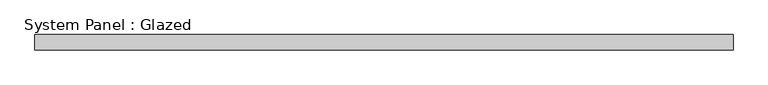
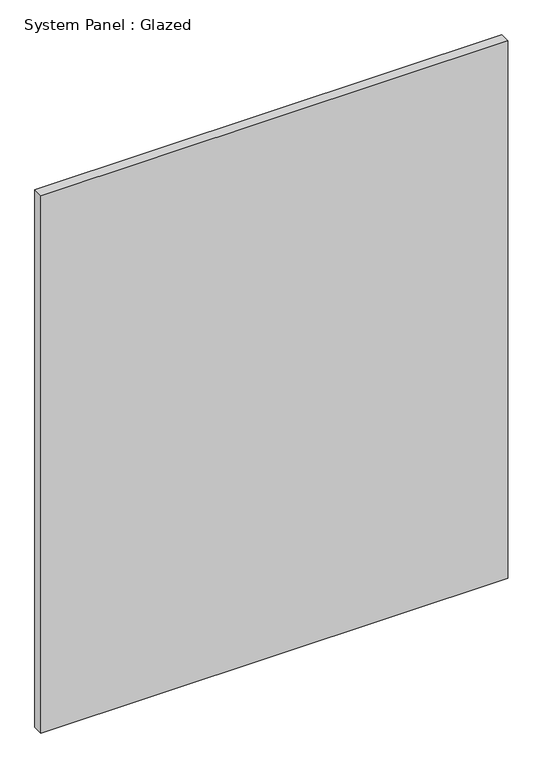
"""IFC4 building model written with IfcOpenShell, lengths in millimetres: plate geometry, System Panel : Glazed."""

from ifc_helpers import new_model, si_unit, origin, origin_with_axes, place, context, project, spatial, polyline, outline, extrude, source, transform, mapped, element, save


def system_panel_glazed_df61d99f(model_context):
    return source(origin(), model_context, "Body", "SweptSolid", [
        extrude(outline(polyline([(574.0399999, 19.05), (-574.0399999, 19.05), (-574.0399999, 44.45), (574.0399999, 44.45), (574.0399999, 19.05)])), origin_with_axes(), (0.0, 0.0, 1.0), 1397.0),
    ])


if __name__ == "__main__":
    model = new_model("IFC4")
    model_context = context("Model", 3, world=origin())
    ifc_project = project(units=[si_unit("LENGTHUNIT", "METRE", prefix="MILLI")], contexts=[model_context])
    site = spatial("IfcSite", under=ifc_project)
    building = spatial("IfcBuilding", under=site)
    placement = place(None, origin())
    system_panel_glazed_shape = system_panel_glazed_df61d99f(model_context)
    element("IfcPlate", 1, ObjectType="System Panel : Glazed", at=placement, inside=building, context=model_context, shape_type="MappedRepresentation", body=[
        mapped(system_panel_glazed_shape, transform((0.0, 0.0, 0.0), x_axis=(1.0, 0.0, 0.0), y_axis=(0.0, 1.0, 0.0), z_axis=(0.0, 0.0, 1.0))),
    ])
    save(model, "model.ifc")
